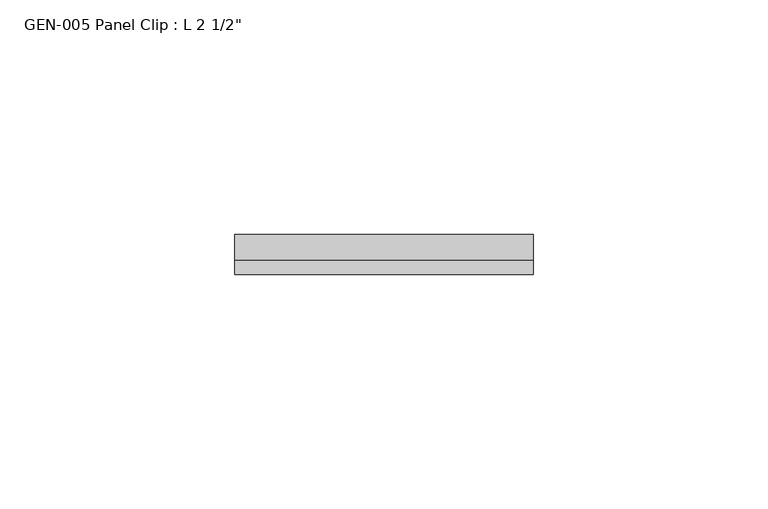
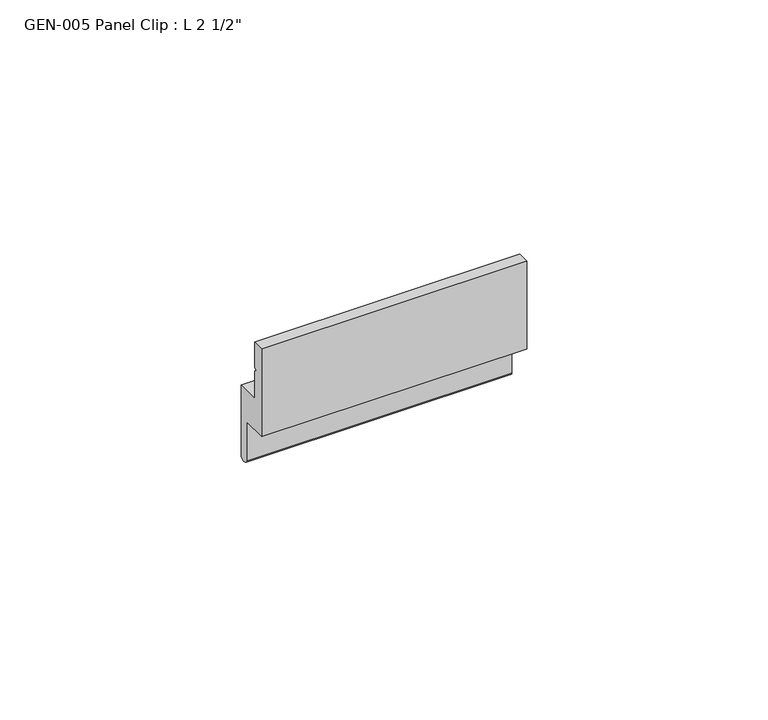
"""IFC4 building model written with IfcOpenShell, lengths in millimetres: proxy geometry."""

from ifc_helpers import new_model, si_unit, point, frame, frame_2d, origin, place, context, project, spatial, polyline, circle_curve, trimmed, segment, composite_curve, outline, extrude, source, transform, mapped, element, save


def proxy_e9e6b4ee(model_context):
    return source(origin(), model_context, "Body", "SweptSolid", [
        extrude(outline(composite_curve([segment(polyline([(0.0, 32.8905133), (2.921, 32.8905133), (2.921, 26.4571821), (2.0735448, 26.0253821), (2.921, 25.5935821), (2.921, 18.6030133), (8.4582, 18.6030133), (8.4582, 0.7912633)]), True, "CONTINUOUS"), segment(trimmed(circle_curve(frame_2d((7.3152, 1.221178)), 1.221178), [point((8.4582, 0.7912633))], [point((6.1722, 0.7912633))], False, "CARTESIAN"), True, "CONTINUOUS"), segment(polyline([(6.1722, 0.7912633), (6.1722, 10.7290133), (0.0, 10.7290133), (0.0, 32.8905133)]), True, "CONTINUOUS")], self_intersect=False)), frame((0.0, 0.0, 0.0), z_axis=(1.0, 0.0, 0.0), x_axis=(0.0, 1.0, 0.0)), (0.0, 0.0, 1.0), 63.5),
    ])


if __name__ == "__main__":
    model = new_model("IFC4")
    model_context = context("Model", 3, world=origin())
    ifc_project = project(units=[si_unit("LENGTHUNIT", "METRE", prefix="MILLI")], contexts=[model_context])
    site = spatial("IfcSite", under=ifc_project)
    building = spatial("IfcBuilding", under=site)
    placement = place(None, origin())
    proxy_shape = proxy_e9e6b4ee(model_context)
    element("IfcBuildingElementProxy", 1, Name="GEN-005 Panel Clip : L 2 1/2\"", ObjectType="GEN-005 Panel Clip : L 2 1/2\"", at=placement, inside=building, context=model_context, shape_type="MappedRepresentation", body=[
        mapped(proxy_shape, transform((0.0, 0.0, 0.0), x_axis=(1.0, 0.0, 0.0), y_axis=(0.0, 1.0, 0.0), z_axis=(0.0, 0.0, 1.0))),
    ])
    save(model, "model.ifc")
